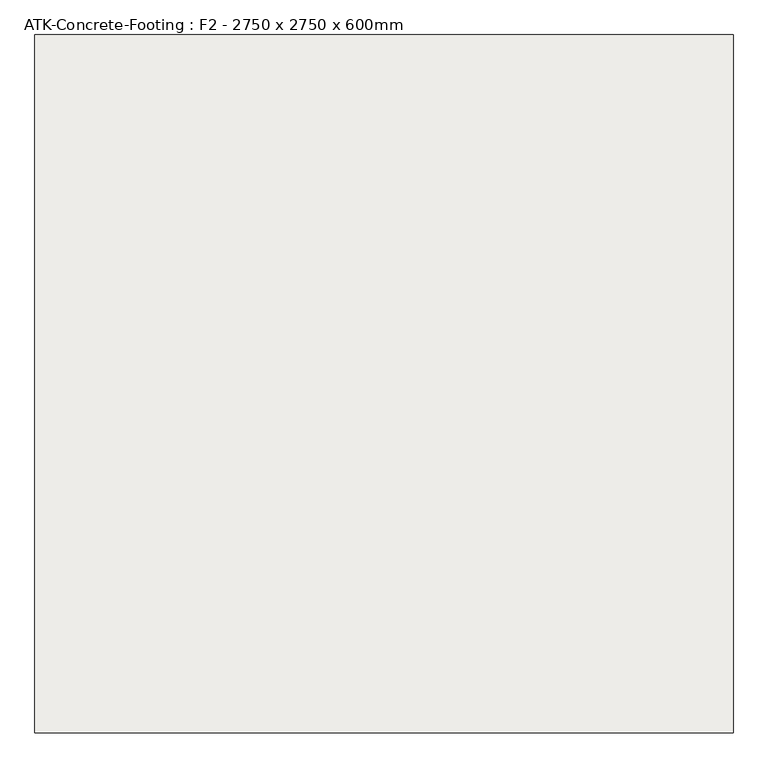
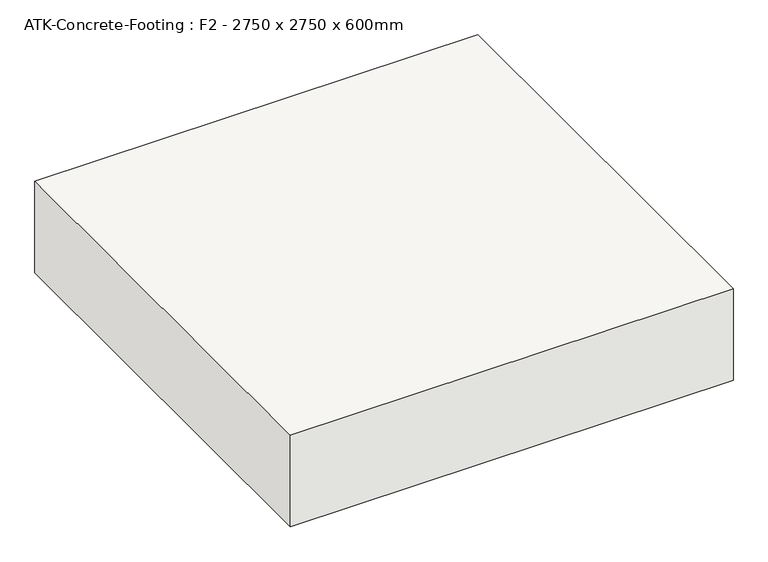
"""IFC4 building model written with IfcOpenShell, lengths in millimetres: slab geometry, ATK-Concrete-Footing : F2 - 2750 x 2750 x 600mm."""

from ifc_helpers import new_model, si_unit, frame, origin, place, context, project, spatial, polyline, outline, extrude, source, transform, mapped, element, save


def atk_concrete_footing_f2_2750_x_2750_x_600mm_649524db(model_context):
    return source(origin(), model_context, "Body", "SweptSolid", [
        extrude(outline(polyline([(1375.0, 1375.0), (1375.0, -1375.0), (-1375.0, -1375.0), (-1375.0, 1375.0), (1375.0, 1375.0)])), frame((0.0, 0.0, -600.0), z_axis=(0.0, 0.0, 1.0), x_axis=(1.0, 0.0, 0.0)), (0.0, 0.0, 1.0), 600.0),
    ])


if __name__ == "__main__":
    model = new_model("IFC4")
    model_context = context("Model", 3, world=origin())
    ifc_project = project(units=[si_unit("LENGTHUNIT", "METRE", prefix="MILLI")], contexts=[model_context])
    site = spatial("IfcSite", under=ifc_project)
    building = spatial("IfcBuilding", under=site)
    placement = place(None, origin())
    atk_concrete_footing_f2_2750_x_2750_x_600mm_shape = atk_concrete_footing_f2_2750_x_2750_x_600mm_649524db(model_context)
    element("IfcSlab", 1, ObjectType="ATK-Concrete-Footing : F2 - 2750 x 2750 x 600mm", at=placement, inside=building, context=model_context, shape_type="MappedRepresentation", body=[
        mapped(atk_concrete_footing_f2_2750_x_2750_x_600mm_shape, transform((0.0, 0.0, 0.0), x_axis=(1.0, 0.0, 0.0), y_axis=(0.0, 1.0, 0.0), z_axis=(0.0, 0.0, 1.0))),
    ])
    save(model, "model.ifc")
